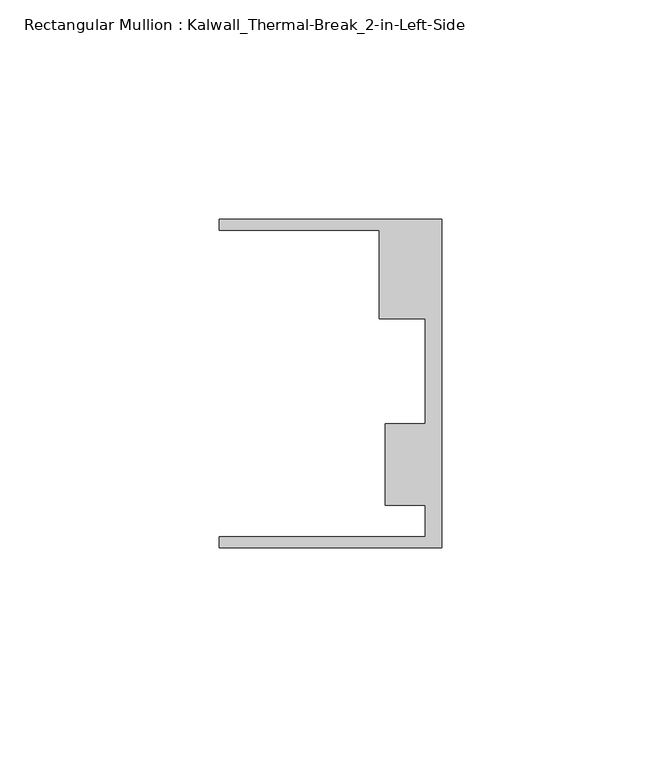
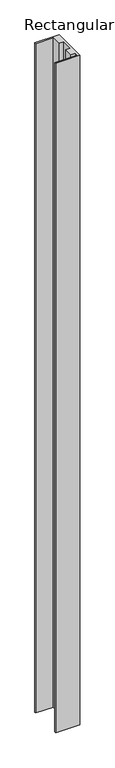
"""IFC4 building model written with IfcOpenShell, lengths in millimetres: member geometry, Rectangular Mullion : Kalwall_Thermal-Break_2-in-Left-Side."""

from ifc_helpers import new_model, si_unit, frame, origin, place, context, project, spatial, polyline, outline, extrude, source, transform, mapped, element, save


def rectangular_mullion_kalwall_thermal_break_2_in_left_side_407e7d21(model_context):
    return source(origin(), model_context, "Body", "SweptSolid", [
        extrude(outline(polyline([(0.0, -37.5776386), (-50.8, -37.5776386), (-50.8, -35.0376386), (-3.7084, -35.0376386), (-3.7084, -27.8888568), (-12.8272539, -27.8888568), (-12.8272539, -9.1879886), (-3.7084, -9.1879886), (-3.7084, 14.7439614), (-14.1732, 14.7439614), (-14.1732, 34.9623614), (-50.8, 34.9623614), (-50.8, 37.5023614), (0.0, 37.5023614), (0.0, -37.5776386)])), frame((0.0, 0.0, -1487.452), z_axis=(0.0, 0.0, 1.0), x_axis=(1.0, 0.0, 0.0)), (0.0, 0.0, 1.0), 1487.452),
    ])


if __name__ == "__main__":
    model = new_model("IFC4")
    model_context = context("Model", 3, world=origin())
    ifc_project = project(units=[si_unit("LENGTHUNIT", "METRE", prefix="MILLI")], contexts=[model_context])
    site = spatial("IfcSite", under=ifc_project)
    building = spatial("IfcBuilding", under=site)
    placement = place(None, origin())
    rectangular_mullion_kalwall_thermal_break_2_in_left_side_shape = rectangular_mullion_kalwall_thermal_break_2_in_left_side_407e7d21(model_context)
    element("IfcMember", 1, ObjectType="Rectangular Mullion : Kalwall_Thermal-Break_2-in-Left-Side", at=placement, inside=building, context=model_context, shape_type="MappedRepresentation", body=[
        mapped(rectangular_mullion_kalwall_thermal_break_2_in_left_side_shape, transform((0.0, 0.0, 0.0), x_axis=(1.0, 0.0, 0.0), y_axis=(0.0, 1.0, 0.0), z_axis=(0.0, 0.0, 1.0))),
    ])
    save(model, "model.ifc")
